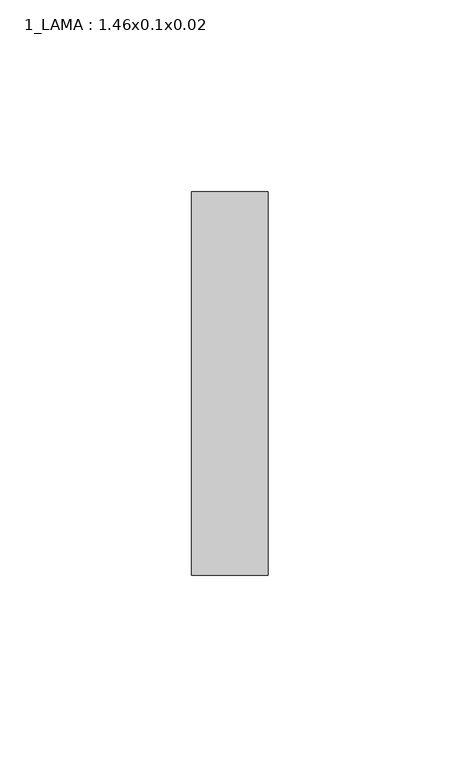
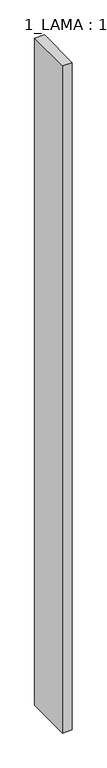
"""IFC4 building model written with IfcOpenShell, lengths in millimetres: proxy geometry, 1_LAMA : 1.46x0.1x0.02."""

from ifc_helpers import new_model, si_unit, origin, origin_with_axes, place, context, project, spatial, polyline, outline, extrude, source, transform, mapped, element, save


def proxy_1_lama_1_46x0_1x0_02_49b08f77(model_context):
    return source(origin(), model_context, "Body", "SweptSolid", [
        extrude(outline(polyline([(20.0, 100.0), (20.0, 0.0), (0.0, 0.0), (0.0, 100.0), (20.0, 100.0)])), origin_with_axes(), (0.0, 0.0, 1.0), 1460.0),
    ])


if __name__ == "__main__":
    model = new_model("IFC4")
    model_context = context("Model", 3, world=origin())
    ifc_project = project(units=[si_unit("LENGTHUNIT", "METRE", prefix="MILLI")], contexts=[model_context])
    site = spatial("IfcSite", under=ifc_project)
    building = spatial("IfcBuilding", under=site)
    placement = place(None, origin())
    proxy_1_lama_1_46x0_1x0_02_shape = proxy_1_lama_1_46x0_1x0_02_49b08f77(model_context)
    element("IfcBuildingElementProxy", 1, Name="1_LAMA : 1.46x0.1x0.02", ObjectType="1_LAMA : 1.46x0.1x0.02", at=placement, inside=building, context=model_context, shape_type="MappedRepresentation", body=[
        mapped(proxy_1_lama_1_46x0_1x0_02_shape, transform((0.0, 0.0, 0.0), x_axis=(1.0, 0.0, 0.0), y_axis=(0.0, 1.0, 0.0), z_axis=(0.0, 0.0, 1.0))),
    ])
    save(model, "model.ifc")
